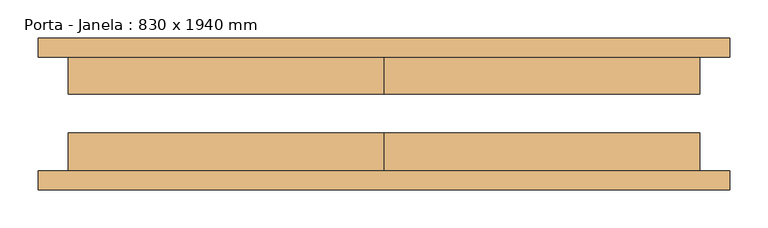
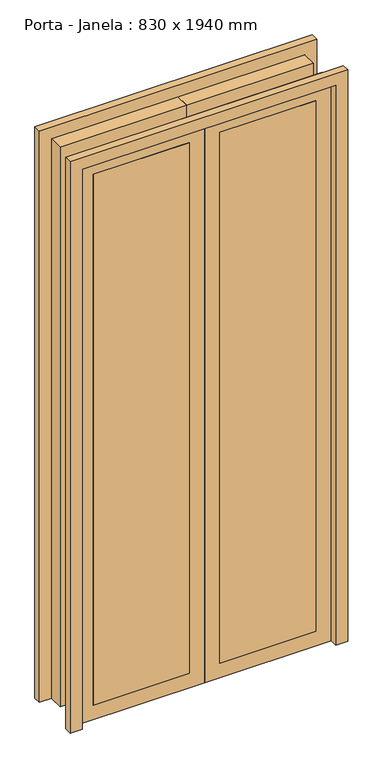
"""IFC4 building model written with IfcOpenShell, lengths in millimetres: door geometry, Porta - Janela : 830 x 1940 mm."""

from ifc_helpers import new_model, si_unit, frame, origin, origin_with_axes, place, context, project, spatial, polyline, outline, extrude, source, transform, mapped, element, save


def porta_janela_830_x_1940_mm_a7a58d75(model_context):
    return source(origin(), model_context, "Body", "SweptSolid", [
        extrude(outline(polyline([(1940.0, -415.0), (1940.0, 415.0), (0.0, 415.0), (0.0, 455.0), (1980.0, 455.0), (1980.0, -455.0), (0.0, -455.0), (0.0, -415.0), (1940.0, -415.0)])), frame((0.0, 75.0, 0.0), z_axis=(0.0, 1.0, 0.0), x_axis=(0.0, 0.0, 1.0)), (0.0, 0.0, 1.0), 25.0),
        extrude(outline(polyline([(1940.0, -415.0), (1940.0, 415.0), (0.0, 415.0), (0.0, 455.0), (1980.0, 455.0), (1980.0, -455.0), (0.0, -455.0), (0.0, -415.0), (1940.0, -415.0)])), frame((0.0, -100.0, 0.0), z_axis=(0.0, 1.0, 0.0), x_axis=(0.0, 0.0, 1.0)), (0.0, 0.0, 1.0), 25.0),
        extrude(outline(polyline([(50.0, -75.0), (50.0, -25.0), (365.0, -25.0), (365.0, -75.0), (50.0, -75.0)])), frame((0.0, 0.0, 50.0), z_axis=(0.0, 0.0, 1.0), x_axis=(1.0, 0.0, 0.0)), (0.0, 0.0, 1.0), 1840.0),
        extrude(outline(polyline([(-365.0, -75.0), (-365.0, -25.0), (-50.0, -25.0), (-50.0, -75.0), (-365.0, -75.0)])), frame((0.0, 0.0, 50.0), z_axis=(0.0, 0.0, 1.0), x_axis=(1.0, 0.0, 0.0)), (0.0, 0.0, 1.0), 1840.0),
        extrude(outline(polyline([(415.0, 76.2), (415.0, 26.2), (0.0, 26.2), (0.0, 76.2), (415.0, 76.2)])), origin_with_axes(), (0.0, 0.0, 1.0), 1940.0),
        extrude(outline(polyline([(0.0, 76.2), (0.0, 26.2), (-415.0, 26.2), (-415.0, 76.2), (0.0, 76.2)])), origin_with_axes(), (0.0, 0.0, 1.0), 1940.0),
        extrude(outline(polyline([(1940.0, 0.0), (0.0, 0.0), (0.0, 415.0), (1940.0, 415.0), (1940.0, 0.0)]), holes=[polyline([(1890.0, 50.0), (1890.0, 365.0), (50.0, 365.0), (50.0, 50.0), (1890.0, 50.0)])]), frame((0.0, -75.0, 0.0), z_axis=(0.0, 1.0, 0.0), x_axis=(0.0, 0.0, 1.0)), (0.0, 0.0, 1.0), 50.0),
        extrude(outline(polyline([(1940.0, -415.0), (0.0, -415.0), (0.0, 0.0), (1940.0, 0.0), (1940.0, -415.0)]), holes=[polyline([(1890.0, -365.0), (1890.0, -50.0), (50.0, -50.0), (50.0, -365.0), (1890.0, -365.0)])]), frame((0.0, -75.0, 0.0), z_axis=(0.0, 1.0, 0.0), x_axis=(0.0, 0.0, 1.0)), (0.0, 0.0, 1.0), 50.0),
    ])


if __name__ == "__main__":
    model = new_model("IFC4")
    model_context = context("Model", 3, world=origin())
    ifc_project = project(units=[si_unit("LENGTHUNIT", "METRE", prefix="MILLI")], contexts=[model_context])
    site = spatial("IfcSite", under=ifc_project)
    building = spatial("IfcBuilding", under=site)
    placement = place(None, origin())
    porta_janela_830_x_1940_mm_shape = porta_janela_830_x_1940_mm_a7a58d75(model_context)
    element("IfcDoor", 1, ObjectType="Porta - Janela : 830 x 1940 mm", at=placement, inside=building, context=model_context, shape_type="MappedRepresentation", body=[
        mapped(porta_janela_830_x_1940_mm_shape, transform((0.0, 0.0, 0.0), x_axis=(1.0, 0.0, 0.0), y_axis=(0.0, 1.0, 0.0), z_axis=(0.0, 0.0, 1.0))),
    ])
    save(model, "model.ifc")
